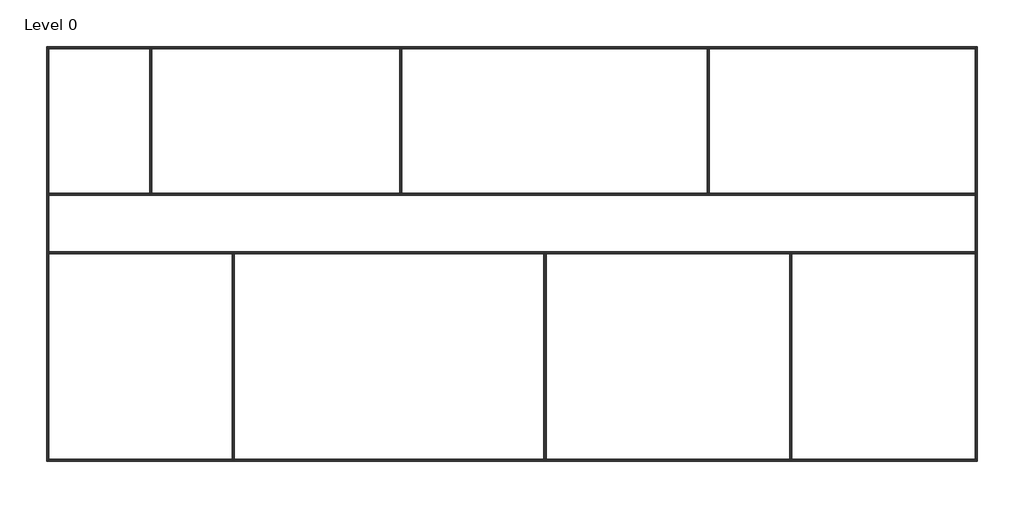
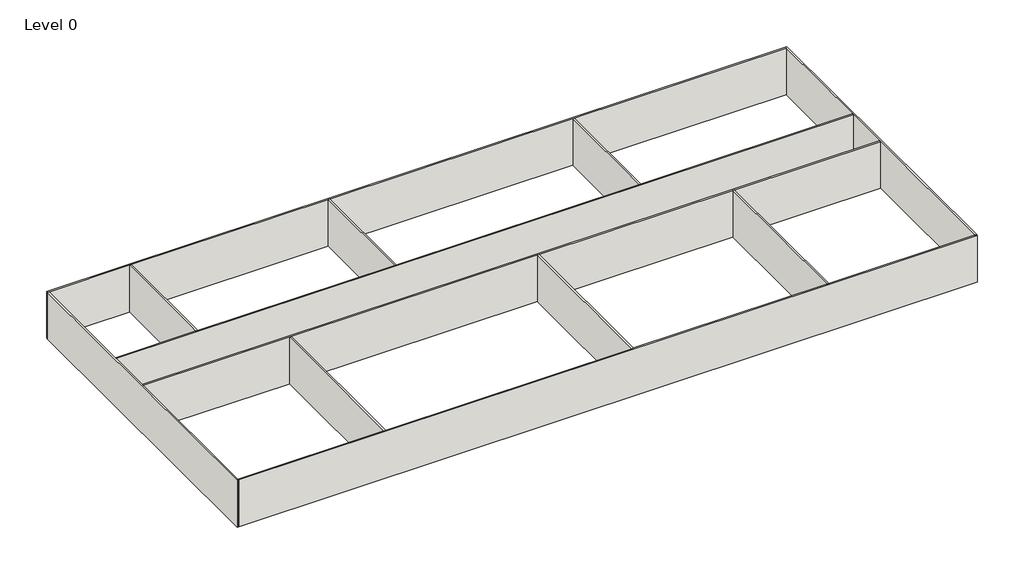
# One storey: 12 walls.
"""IFC4 building model written with IfcOpenShell, lengths in millimetres."""

from ifc_helpers import new_model, si_unit, origin, origin_with_axes, place, context, project, spatial, polyline, outline, extrude, faceted_brep, element, save

model = new_model("IFC4")

# Units and contexts
model_context = context("Model", 3, world=origin())
ifc_project = project(units=[si_unit("LENGTHUNIT", "METRE", prefix="MILLI")], contexts=[model_context])

# Site, building, storey
site = spatial("IfcSite", under=ifc_project)
building = spatial("IfcBuilding", under=site)
storey = spatial("IfcBuildingStorey", under=building, Name="Level 0", Elevation=0.0)

# Walls
placement = place(None, origin())
element("IfcWall", 1, ObjectType="IBI_Partition_Int-Gen-100mm", at=placement, inside=storey, context=model_context, shape_type="Brep", body=[
    faceted_brep([(571.7471227, 10775.4931134, 0.0), (671.7471227, 10775.4931134, 0.0), (5571.7471227, 10775.4931134, 0.0), (5671.7471227, 10775.4931134, 0.0), (17671.7471227, 10775.4931134, 0.0), (17771.7471227, 10775.4931134, 0.0), (32571.7471227, 10775.4931134, 0.0), (32671.7471227, 10775.4931134, 0.0), (45571.7471227, 10775.4931134, 0.0), (45571.7471227, 10775.4931134, 3000.0), (32671.7471227, 10775.4931134, 3000.0), (32571.7471227, 10775.4931134, 3000.0), (17771.7471227, 10775.4931134, 3000.0), (17671.7471227, 10775.4931134, 3000.0), (5671.7471227, 10775.4931134, 3000.0), (5571.7471227, 10775.4931134, 3000.0), (671.7471227, 10775.4931134, 3000.0), (571.7471227, 10775.4931134, 3000.0), (571.7471227, 10875.4931134, 0.0), (571.7471227, 10875.4931134, 3000.0), (45571.7471227, 10875.4931134, 3000.0), (45571.7471227, 10875.4931134, 0.0)], [[[0, 1, 2, 3, 4, 5, 6, 7, 8, 9, 10, 11, 12, 13, 14, 15, 16, 17]], [[18, 19, 20, 21]], [[8, 7, 6, 5, 4, 3, 2, 1, 0, 18, 21]], [[17, 16, 15, 14, 13, 12, 11, 10, 9, 20, 19]], [[0, 17, 19, 18]], [[9, 8, 21, 20]]]),
])
element("IfcWall", 2, ObjectType="IBI_Partition_Int-Gen-100mm", at=placement, inside=storey, context=model_context, shape_type="Brep", body=[
    faceted_brep([(671.7471227, -9224.5068866, 0.0), (671.7471227, -9124.5068866, 0.0), (671.7471227, 825.4931134, 0.0), (671.7471227, 925.4931134, 0.0), (671.7471227, 3675.4931134, 0.0), (671.7471227, 3775.4931134, 0.0), (671.7471227, 10775.4931134, 0.0), (671.7471227, 10775.4931134, 3000.0), (671.7471227, 3775.4931134, 3000.0), (671.7471227, 3675.4931134, 3000.0), (671.7471227, 925.4931134, 3000.0), (671.7471227, 825.4931134, 3000.0), (671.7471227, -9124.5068866, 3000.0), (671.7471227, -9224.5068866, 3000.0), (571.7471227, -9224.5068866, 0.0), (571.7471227, -9224.5068866, 3000.0), (571.7471227, 10775.4931134, 3000.0), (571.7471227, 10775.4931134, 0.0)], [[[0, 1, 2, 3, 4, 5, 6, 7, 8, 9, 10, 11, 12, 13]], [[14, 15, 16, 17]], [[6, 5, 4, 3, 2, 1, 0, 14, 17]], [[13, 12, 11, 10, 9, 8, 7, 16, 15]], [[0, 13, 15, 14]], [[7, 6, 17, 16]]]),
])
element("IfcWall", 3, ObjectType="IBI_Partition_Int-Gen-100mm", at=placement, inside=storey, context=model_context, shape_type="Brep", body=[
    faceted_brep([(45671.7471227, -9124.5068866, 0.0), (45571.7471227, -9124.5068866, 0.0), (36671.7471227, -9124.5068866, 0.0), (36571.7471227, -9124.5068866, 0.0), (24771.7471227, -9124.5068866, 0.0), (24671.7471227, -9124.5068866, 0.0), (9671.7471227, -9124.5068866, 0.0), (9571.7471227, -9124.5068866, 0.0), (671.7471227, -9124.5068866, 0.0), (671.7471227, -9124.5068866, 3000.0), (9571.7471227, -9124.5068866, 3000.0), (9671.7471227, -9124.5068866, 3000.0), (24671.7471227, -9124.5068866, 3000.0), (24771.7471227, -9124.5068866, 3000.0), (36571.7471227, -9124.5068866, 3000.0), (36671.7471227, -9124.5068866, 3000.0), (45571.7471227, -9124.5068866, 3000.0), (45671.7471227, -9124.5068866, 3000.0), (45671.7471227, -9224.5068866, 0.0), (45671.7471227, -9224.5068866, 3000.0), (671.7471227, -9224.5068866, 3000.0), (671.7471227, -9224.5068866, 0.0)], [[[0, 1, 2, 3, 4, 5, 6, 7, 8, 9, 10, 11, 12, 13, 14, 15, 16, 17]], [[18, 19, 20, 21]], [[8, 7, 6, 5, 4, 3, 2, 1, 0, 18, 21]], [[17, 16, 15, 14, 13, 12, 11, 10, 9, 20, 19]], [[0, 17, 19, 18]], [[9, 8, 21, 20]]]),
])
element("IfcWall", 4, ObjectType="IBI_Partition_Int-Gen-100mm", at=placement, inside=storey, context=model_context, shape_type="Brep", body=[
    faceted_brep([(45571.7471227, 10875.4931134, 0.0), (45571.7471227, 10775.4931134, 0.0), (45571.7471227, 3775.4931134, 0.0), (45571.7471227, 3675.4931134, 0.0), (45571.7471227, 925.4931134, 0.0), (45571.7471227, 825.4931134, 0.0), (45571.7471227, -9124.5068866, 0.0), (45571.7471227, -9124.5068866, 3000.0), (45571.7471227, 825.4931134, 3000.0), (45571.7471227, 925.4931134, 3000.0), (45571.7471227, 3675.4931134, 3000.0), (45571.7471227, 3775.4931134, 3000.0), (45571.7471227, 10775.4931134, 3000.0), (45571.7471227, 10875.4931134, 3000.0), (45671.7471227, 10875.4931134, 0.0), (45671.7471227, 10875.4931134, 3000.0), (45671.7471227, -9124.5068866, 3000.0), (45671.7471227, -9124.5068866, 0.0)], [[[0, 1, 2, 3, 4, 5, 6, 7, 8, 9, 10, 11, 12, 13]], [[14, 15, 16, 17]], [[6, 5, 4, 3, 2, 1, 0, 14, 17]], [[13, 12, 11, 10, 9, 8, 7, 16, 15]], [[0, 13, 15, 14]], [[7, 6, 17, 16]]]),
])
element("IfcWall", 5, ObjectType="IBI_Partition_Int-Gen-100mm", at=placement, inside=storey, context=model_context, shape_type="Brep", body=[
    faceted_brep([(671.7471227, 3675.4931134, 0.0), (45571.7471227, 3675.4931134, 0.0), (45571.7471227, 3675.4931134, 3000.0), (671.7471227, 3675.4931134, 3000.0), (671.7471227, 3775.4931134, 0.0), (671.7471227, 3775.4931134, 3000.0), (5571.7471227, 3775.4931134, 3000.0), (5671.7471227, 3775.4931134, 3000.0), (17671.7471227, 3775.4931134, 3000.0), (17771.7471227, 3775.4931134, 3000.0), (32571.7471227, 3775.4931134, 3000.0), (32671.7471227, 3775.4931134, 3000.0), (45571.7471227, 3775.4931134, 3000.0), (45571.7471227, 3775.4931134, 0.0), (32671.7471227, 3775.4931134, 0.0), (32571.7471227, 3775.4931134, 0.0), (17771.7471227, 3775.4931134, 0.0), (17671.7471227, 3775.4931134, 0.0), (5671.7471227, 3775.4931134, 0.0), (5571.7471227, 3775.4931134, 0.0)], [[[0, 1, 2, 3]], [[4, 5, 6, 7, 8, 9, 10, 11, 12, 13, 14, 15, 16, 17, 18, 19]], [[1, 0, 4, 19, 18, 17, 16, 15, 14, 13]], [[3, 2, 12, 11, 10, 9, 8, 7, 6, 5]], [[0, 3, 5, 4]], [[2, 1, 13, 12]]]),
])
element("IfcWall", 6, ObjectType="IBI_Partition_Int-Gen-100mm", at=placement, inside=storey, context=model_context, shape_type="Brep", body=[
    faceted_brep([(45571.7471227, 925.4931134, 0.0), (671.7471227, 925.4931134, 0.0), (671.7471227, 925.4931134, 3000.0), (45571.7471227, 925.4931134, 3000.0), (45571.7471227, 825.4931134, 0.0), (45571.7471227, 825.4931134, 3000.0), (36671.7471227, 825.4931134, 3000.0), (36571.7471227, 825.4931134, 3000.0), (24771.7471227, 825.4931134, 3000.0), (24671.7471227, 825.4931134, 3000.0), (9671.7471227, 825.4931134, 3000.0), (9571.7471227, 825.4931134, 3000.0), (671.7471227, 825.4931134, 3000.0), (671.7471227, 825.4931134, 0.0), (9571.7471227, 825.4931134, 0.0), (9671.7471227, 825.4931134, 0.0), (24671.7471227, 825.4931134, 0.0), (24771.7471227, 825.4931134, 0.0), (36571.7471227, 825.4931134, 0.0), (36671.7471227, 825.4931134, 0.0)], [[[0, 1, 2, 3]], [[4, 5, 6, 7, 8, 9, 10, 11, 12, 13, 14, 15, 16, 17, 18, 19]], [[1, 0, 4, 19, 18, 17, 16, 15, 14, 13]], [[3, 2, 12, 11, 10, 9, 8, 7, 6, 5]], [[2, 1, 13, 12]], [[0, 3, 5, 4]]]),
])
element("IfcWall", 7, ObjectType="IBI_Partition_Int-Gen-100mm", at=placement, inside=storey, context=model_context, shape_type="SweptSolid", body=[
    extrude(outline(polyline([(9571.7471227, -9124.5068866), (9571.7471227, 825.4931134), (9671.7471227, 825.4931134), (9671.7471227, -9124.5068866), (9571.7471227, -9124.5068866)])), origin_with_axes(), (0.0, 0.0, 1.0), 3000.0),
])
element("IfcWall", 8, ObjectType="IBI_Partition_Int-Gen-100mm", at=placement, inside=storey, context=model_context, shape_type="SweptSolid", body=[
    extrude(outline(polyline([(24771.7471227, 825.4931134), (24771.7471227, -9124.5068866), (24671.7471227, -9124.5068866), (24671.7471227, 825.4931134), (24771.7471227, 825.4931134)])), origin_with_axes(), (0.0, 0.0, 1.0), 3000.0),
])
element("IfcWall", 9, ObjectType="IBI_Partition_Int-Gen-100mm", at=placement, inside=storey, context=model_context, shape_type="SweptSolid", body=[
    extrude(outline(polyline([(36671.7471227, 825.4931134), (36671.7471227, -9124.5068866), (36571.7471227, -9124.5068866), (36571.7471227, 825.4931134), (36671.7471227, 825.4931134)])), origin_with_axes(), (0.0, 0.0, 1.0), 3000.0),
])
element("IfcWall", 10, ObjectType="IBI_Partition_Int-Gen-100mm", at=placement, inside=storey, context=model_context, shape_type="SweptSolid", body=[
    extrude(outline(polyline([(32671.7471227, 10775.4931134), (32671.7471227, 3775.4931134), (32571.7471227, 3775.4931134), (32571.7471227, 10775.4931134), (32671.7471227, 10775.4931134)])), origin_with_axes(), (0.0, 0.0, 1.0), 3000.0),
])
element("IfcWall", 11, ObjectType="IBI_Partition_Int-Gen-100mm", at=placement, inside=storey, context=model_context, shape_type="SweptSolid", body=[
    extrude(outline(polyline([(17771.7471227, 10775.4931134), (17771.7471227, 3775.4931134), (17671.7471227, 3775.4931134), (17671.7471227, 10775.4931134), (17771.7471227, 10775.4931134)])), origin_with_axes(), (0.0, 0.0, 1.0), 3000.0),
])
element("IfcWall", 12, ObjectType="IBI_Partition_Int-Gen-100mm", at=placement, inside=storey, context=model_context, shape_type="SweptSolid", body=[
    extrude(outline(polyline([(5671.7471227, 10775.4931134), (5671.7471227, 3775.4931134), (5571.7471227, 3775.4931134), (5571.7471227, 10775.4931134), (5671.7471227, 10775.4931134)])), origin_with_axes(), (0.0, 0.0, 1.0), 3000.0),
])

save(model, "model.ifc")
